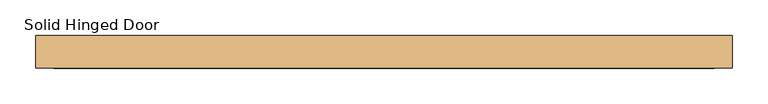
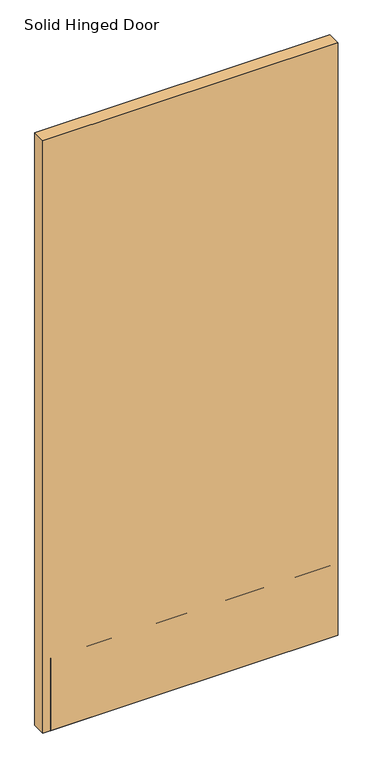
"""IFC4 building model written with IfcOpenShell, lengths in millimetres: door geometry, Solid Hinged Door."""

from ifc_helpers import new_model, si_unit, frame, origin, place, context, project, spatial, polyline, outline, extrude, source, transform, mapped, element, save


def solid_hinged_door_4b7c1564(model_context):
    return source(origin(), model_context, "Body", "SweptSolid", [
        extrude(outline(polyline([(490.4564326, 23.114), (490.4564326, -23.114), (-490.4564326, -23.114), (-490.4564326, 23.114), (490.4564326, 23.114)])), frame((0.0, 0.0, 12.7), z_axis=(0.0, 0.0, 1.0), x_axis=(1.0, 0.0, 0.0)), (0.0, 0.0, 1.0), 2081.2635027),
        extrude(outline(polyline([(465.0564326, -9.8925062), (465.0564326, -11.4927062), (-465.0564326, -11.4927062), (-465.0564326, -9.8925062), (465.0564326, -9.8925062)])), frame((0.0, 0.0, 12.7), z_axis=(0.0, 0.0, 1.0), x_axis=(1.0, 0.0, 0.0)), (0.0, 0.0, 1.0), 254.0),
        extrude(outline(polyline([(465.0564326, -21.5138), (465.0564326, -23.114), (-465.0564326, -23.114), (-465.0564326, -21.5138), (465.0564326, -21.5138)])), frame((0.0, 0.0, 12.7), z_axis=(0.0, 0.0, 1.0), x_axis=(1.0, 0.0, 0.0)), (0.0, 0.0, 1.0), 254.0),
    ])


if __name__ == "__main__":
    model = new_model("IFC4")
    model_context = context("Model", 3, world=origin())
    ifc_project = project(units=[si_unit("LENGTHUNIT", "METRE", prefix="MILLI")], contexts=[model_context])
    site = spatial("IfcSite", under=ifc_project)
    building = spatial("IfcBuilding", under=site)
    placement = place(None, origin())
    solid_hinged_door_shape = solid_hinged_door_4b7c1564(model_context)
    element("IfcDoor", 1, ObjectType="Solid Hinged Door", at=placement, inside=building, context=model_context, shape_type="MappedRepresentation", body=[
        mapped(solid_hinged_door_shape, transform((0.0, 0.0, 0.0), x_axis=(1.0, 0.0, 0.0), y_axis=(0.0, 1.0, 0.0), z_axis=(0.0, 0.0, 1.0))),
    ])
    save(model, "model.ifc")
